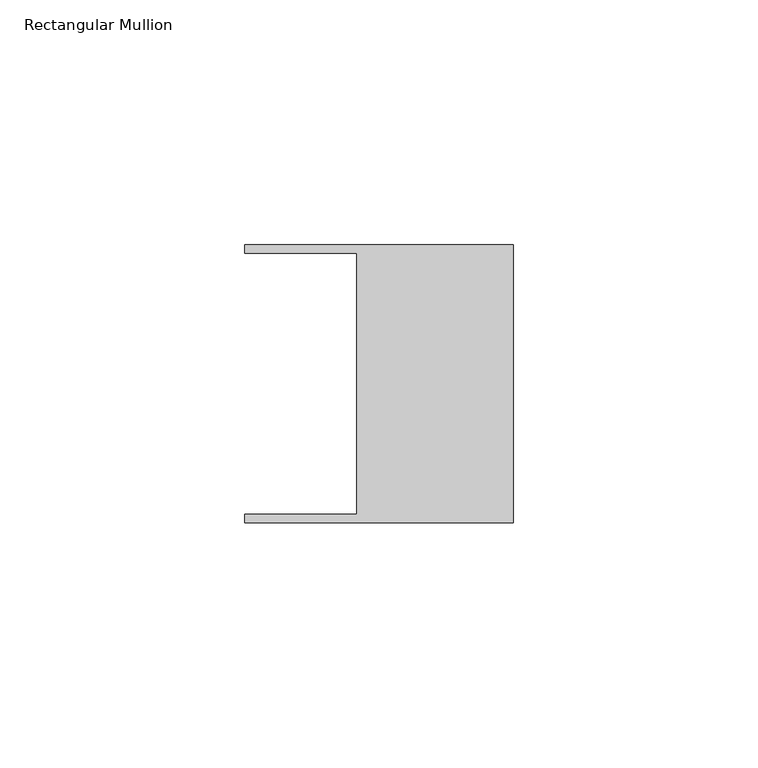
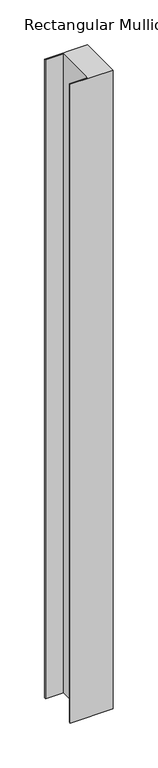
"""IFC4 building model written with IfcOpenShell, lengths in millimetres: member geometry, Rectangular Mullion."""

from ifc_helpers import new_model, si_unit, frame, origin, place, context, project, spatial, polyline, outline, extrude, source, transform, mapped, element, save


def rectangular_mullion_7a29151b(model_context):
    return source(origin(), model_context, "Body", "SweptSolid", [
        extrude(outline(polyline([(-32.004, 26.67), (-54.991, 26.67), (-54.991, 28.448), (0.0, 28.448), (0.0, -28.448), (-54.991, -28.448), (-54.991, -26.67), (-32.004, -26.67), (-32.004, 26.67)])), frame((0.0, 0.0, -868.363263), z_axis=(0.0, 0.0, 1.0), x_axis=(1.0, 0.0, 0.0)), (0.0, 0.0, 1.0), 868.363263),
    ])


if __name__ == "__main__":
    model = new_model("IFC4")
    model_context = context("Model", 3, world=origin())
    ifc_project = project(units=[si_unit("LENGTHUNIT", "METRE", prefix="MILLI")], contexts=[model_context])
    site = spatial("IfcSite", under=ifc_project)
    building = spatial("IfcBuilding", under=site)
    placement = place(None, origin())
    rectangular_mullion_shape = rectangular_mullion_7a29151b(model_context)
    element("IfcMember", 1, ObjectType="Rectangular Mullion", at=placement, inside=building, context=model_context, shape_type="MappedRepresentation", body=[
        mapped(rectangular_mullion_shape, transform((0.0, 0.0, 0.0), x_axis=(1.0, 0.0, 0.0), y_axis=(0.0, 1.0, 0.0), z_axis=(0.0, 0.0, 1.0))),
    ])
    save(model, "model.ifc")
